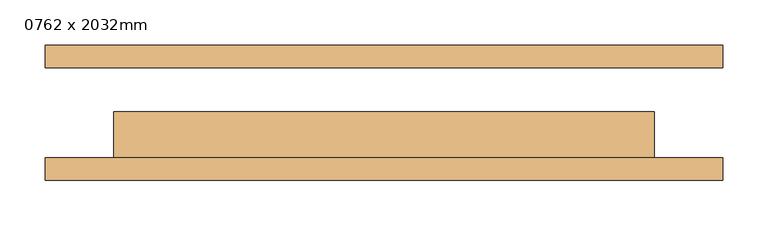
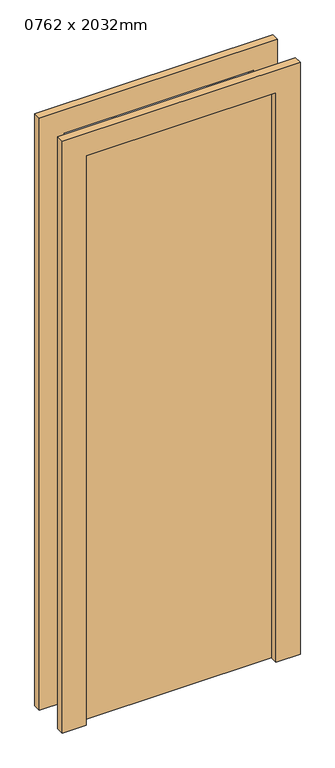
"""IFC4 building model written with IfcOpenShell, lengths in millimetres: door geometry, 0762 x 2032mm."""

import ifcopenshell
import ifcopenshell.guid

model = None  # the IFC model being written
_history = None  # IfcOwnerHistory: only IFC2X3 demands one
_inside = {}  # id of a spatial element -> (the spatial element, [elements in it])
_under = {}  # id of a project, library or spatial element -> (it, [spatial elements below it])
_declared = {}  # id of a project -> (the project, [libraries it declares])
_typed = {}  # id of a type object -> (the type object, [elements of that type])
_made_of = {}  # id of a material, layer set ... -> (it, [elements and type objects made of it])


def new_model(schema):
    """Start an empty IFC model of exactly this schema.

    Asked for "IFC4X3", IfcOpenShell would pick the latest addendum, in which some entities
    have other attributes; the version numbers below select the first issue.
    IFC2X3 requires an IfcOwnerHistory on every rooted entity: one is made here for all.
    """
    global model, _history
    if schema == "IFC4X3":
        model = ifcopenshell.file(schema_version=(4, 3, 0, 0))
    else:
        model = ifcopenshell.file(schema=schema)
    _inside.clear()
    _under.clear()
    _declared.clear()
    _typed.clear()
    _made_of.clear()
    _history = None
    if model.schema == "IFC2X3":
        org = make("IfcOrganization", Name="unknown")
        user = make(
            "IfcPersonAndOrganization",
            ThePerson=make("IfcPerson", FamilyName="unknown"),
            TheOrganization=org,
        )
        app = make(
            "IfcApplication",
            ApplicationDeveloper=org,
            Version="unknown",
            ApplicationFullName="unknown",
            ApplicationIdentifier="unknown",
        )
        _history = make(
            "IfcOwnerHistory",
            OwningUser=user,
            OwningApplication=app,
            ChangeAction="ADDED",
            CreationDate=0,
        )
    return model


def make(cls, **values):
    """One entity of the class cls with the attributes given. An attribute that is None is left unset."""
    return model.create_entity(
        cls, **{name: value for name, value in values.items() if value is not None}
    )


def rooted(cls, **values):
    """An entity with a GlobalId (a new one), such as an element, a storey or a relation."""
    return make(cls, GlobalId=ifcopenshell.guid.new(), OwnerHistory=_history, **values)


def si_unit(unit_type, name, prefix=None):
    """IfcSIUnit, for example si_unit("LENGTHUNIT", "METRE", prefix="MILLI")."""
    return make("IfcSIUnit", UnitType=unit_type, Prefix=prefix, Name=name)


def assignment(units):
    """IfcUnitAssignment: the units of a project."""
    return None if units is None else make("IfcUnitAssignment", Units=units)


def point(xyz):
    """IfcCartesianPoint."""
    return None if xyz is None else make("IfcCartesianPoint", Coordinates=xyz)


def direction(xyz):
    """IfcDirection."""
    return None if xyz is None else make("IfcDirection", DirectionRatios=xyz)


def frame(location, z_axis=None, x_axis=None):
    """IfcAxis2Placement3D, a coordinate frame: its origin and axes. An axis left out is left unset."""
    return make(
        "IfcAxis2Placement3D",
        Location=point(location),
        Axis=direction(z_axis),
        RefDirection=direction(x_axis),
    )


def origin():
    """The frame at (0, 0, 0) with its axes left unset."""
    return frame((0.0, 0.0, 0.0))


def origin_with_axes():
    """The frame at (0, 0, 0) with the z axis (0, 0, 1) and the x axis (1, 0, 0) written out."""
    return frame((0.0, 0.0, 0.0), z_axis=(0.0, 0.0, 1.0), x_axis=(1.0, 0.0, 0.0))


def place(relative_to, where):
    """IfcLocalPlacement: puts the frame where relative to a parent placement (None: the world)."""
    return make(
        "IfcLocalPlacement", PlacementRelTo=relative_to, RelativePlacement=where
    )


def context(
    kind, dimensions, precision=None, world=None, true_north=None, identifier=None
):
    """IfcGeometricRepresentationContext, for example the 3D "Model" context."""
    return make(
        "IfcGeometricRepresentationContext",
        ContextIdentifier=identifier,
        ContextType=kind,
        CoordinateSpaceDimension=dimensions,
        Precision=precision,
        WorldCoordinateSystem=world,
        TrueNorth=true_north,
    )


def project(units=None, contexts=None):
    """IfcProject with its units and contexts."""
    return rooted(
        "IfcProject",
        Name="project",
        RepresentationContexts=contexts,
        UnitsInContext=assignment(units),
    )


def spatial(cls, under=None, at=None, **own):
    """A site, building, storey or space (cls), placed at a placement, below another one or the project."""
    s = rooted(cls, ObjectPlacement=at, **own)
    if under is not None:
        _under.setdefault(under.id(), (under, []))[1].append(s)
    return s


def polyline(points):
    """IfcPolyline through the points."""
    return make("IfcPolyline", Points=[point(p) for p in points])


def outline(outer, holes=None, kind="AREA"):
    """IfcArbitraryClosedProfileDef: a profile drawn as a closed curve; with holes, ...WithVoids."""
    if holes is None:
        return make("IfcArbitraryClosedProfileDef", ProfileType=kind, OuterCurve=outer)
    return make(
        "IfcArbitraryProfileDefWithVoids",
        ProfileType=kind,
        OuterCurve=outer,
        InnerCurves=holes,
    )


def extrude(swept, where, along, depth):
    """IfcExtrudedAreaSolid: the profile swept, set in the frame where, extruded along a direction by depth."""
    return make(
        "IfcExtrudedAreaSolid",
        SweptArea=swept,
        Position=where,
        ExtrudedDirection=direction(along),
        Depth=depth,
    )


def shape(context_of_items, identifier, shape_type, items):
    """IfcShapeRepresentation: the items that make up one representation, for example the "Body"."""
    return make(
        "IfcShapeRepresentation",
        ContextOfItems=context_of_items,
        RepresentationIdentifier=identifier,
        RepresentationType=shape_type,
        Items=items,
    )


def source(mapping_origin, context_of_items, identifier, shape_type, items):
    """IfcRepresentationMap: a shape defined once, which mapped items show again and again."""
    return make(
        "IfcRepresentationMap",
        MappingOrigin=mapping_origin,
        MappedRepresentation=shape(context_of_items, identifier, shape_type, items),
    )


def transform(
    local_origin,
    x_axis=None,
    y_axis=None,
    z_axis=None,
    scale=None,
    scale2=None,
    scale3=None,
    uniform=True,
):
    """IfcCartesianTransformationOperator3D, or its non-uniform kind. x_axis, y_axis, z_axis: its Axis1, 2, 3."""
    if uniform:
        return make(
            "IfcCartesianTransformationOperator3D",
            Axis1=direction(x_axis),
            Axis2=direction(y_axis),
            LocalOrigin=point(local_origin),
            Scale=scale,
            Axis3=direction(z_axis),
        )
    return make(
        "IfcCartesianTransformationOperator3DnonUniform",
        Axis1=direction(x_axis),
        Axis2=direction(y_axis),
        LocalOrigin=point(local_origin),
        Scale=scale,
        Axis3=direction(z_axis),
        Scale2=scale2,
        Scale3=scale3,
    )


def mapped(mapping_source, mapping_target):
    """IfcMappedItem: shows the shape of a source again, moved by a transform."""
    return make(
        "IfcMappedItem", MappingSource=mapping_source, MappingTarget=mapping_target
    )


def made_of(thing, what):
    """Note that an element or type object is made of a material, layer set ...; save() writes the relation."""
    if what is not None:
        _made_of.setdefault(what.id(), (what, []))[1].append(thing)
    return thing


def element(
    cls,
    number,
    at=None,
    inside=None,
    cuts=None,
    type_object=None,
    material=None,
    context=None,
    identifier="Body",
    shape_type=None,
    held_by="IfcProductDefinitionShape",
    body=None,
    shapes=None,
    **own,
):
    """One element of the class cls, such as IfcWall. Its Tag is "e" and its number.

    at: its placement. inside: the storey or other place that contains it. cuts: it is an
    opening in that element (IfcRelVoidsElement). A single representation is given by context,
    identifier, shape_type and body (its items); several are given by shapes. held_by: the class
    of the entity that holds the representations. save() writes the other relations.
    """
    e = rooted(cls, Tag="e%d" % number, ObjectPlacement=at, **own)
    if body is not None:
        shapes = [shape(context, identifier, shape_type, body)]
    if shapes is not None:
        e.Representation = make(held_by, Representations=shapes)
    if inside is not None:
        _inside.setdefault(inside.id(), (inside, []))[1].append(e)
    if cuts is not None:
        rooted(
            "IfcRelVoidsElement", RelatingBuildingElement=cuts, RelatedOpeningElement=e
        )
    if type_object is not None:
        _typed.setdefault(type_object.id(), (type_object, []))[1].append(e)
    return made_of(e, material)


def aggregate(whole, parts):
    """IfcRelAggregates: a whole, such as a stair, and the parts it consists of."""
    return rooted("IfcRelAggregates", RelatingObject=whole, RelatedObjects=parts)


def save(model, path):
    """Write the relations noted so far, then the file.

    IfcRelAggregates (storeys below a building ...), IfcRelContainedInSpatialStructure (elements
    in a storey), IfcRelDefinesByType, IfcRelAssociatesMaterial and IfcRelDeclares: one each for
    every whole, place, type object, material and project.
    """
    for whole, parts in _under.values():
        aggregate(whole, parts)
    for where, things in _inside.values():
        rooted(
            "IfcRelContainedInSpatialStructure",
            RelatedElements=things,
            RelatingStructure=where,
        )
    for kind, things in _typed.values():
        rooted("IfcRelDefinesByType", RelatedObjects=things, RelatingType=kind)
    for what, things in _made_of.values():
        rooted("IfcRelAssociatesMaterial", RelatedObjects=things, RelatingMaterial=what)
    for by, libraries in _declared.values():
        rooted("IfcRelDeclares", RelatingContext=by, RelatedDefinitions=libraries)
    model.write(path)


def door_0762_x_2032mm_2d05e2c4(model_context):
    return source(origin(), model_context, "Body", "SweptSolid", [
        extrude(outline(polyline([(1976.0, -376.0), (0.0, -376.0), (0.0, -300.0), (1900.0, -300.0), (1900.0, 300.0), (0.0, 300.0), (0.0, 376.0), (1976.0, 376.0), (1976.0, -376.0)])), frame((0.0, -75.0, 0.0), z_axis=(0.0, 1.0, 0.0), x_axis=(0.0, 0.0, 1.0)), (0.0, 0.0, 1.0), 25.0),
        extrude(outline(polyline([(1976.0, 376.0), (1976.0, -376.0), (0.0, -376.0), (0.0, -300.0), (1900.0, -300.0), (1900.0, 300.0), (0.0, 300.0), (0.0, 376.0), (1976.0, 376.0)])), frame((0.0, 50.0, 0.0), z_axis=(0.0, 1.0, 0.0), x_axis=(0.0, 0.0, 1.0)), (0.0, 0.0, 1.0), 25.0),
        extrude(outline(polyline([(300.0, 1.0), (300.0, -50.0), (-300.0, -50.0), (-300.0, 1.0), (300.0, 1.0)])), origin_with_axes(), (0.0, 0.0, 1.0), 1900.0),
    ])


if __name__ == "__main__":
    model = new_model("IFC4")
    model_context = context("Model", 3, world=origin())
    ifc_project = project(units=[si_unit("LENGTHUNIT", "METRE", prefix="MILLI")], contexts=[model_context])
    site = spatial("IfcSite", under=ifc_project)
    building = spatial("IfcBuilding", under=site)
    placement = place(None, origin())
    door_0762_x_2032mm_shape = door_0762_x_2032mm_2d05e2c4(model_context)
    element("IfcDoor", 1, ObjectType="0762 x 2032mm", at=placement, inside=building, context=model_context, shape_type="MappedRepresentation", body=[
        mapped(door_0762_x_2032mm_shape, transform((0.0, 0.0, 0.0), x_axis=(1.0, 0.0, 0.0), y_axis=(0.0, 1.0, 0.0), z_axis=(0.0, 0.0, 1.0))),
    ])
    save(model, "model.ifc")
